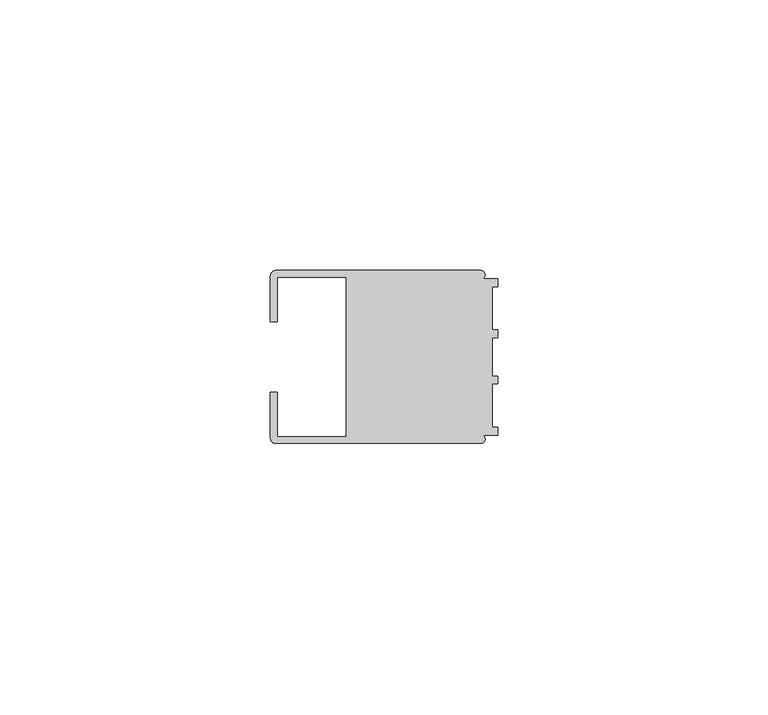
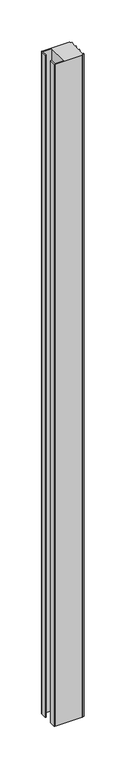
"""IFC4 building model written with IfcOpenShell, lengths in millimetres: member geometry."""

from ifc_helpers import new_model, si_unit, point, frame, frame_2d, origin, place, context, project, spatial, polyline, circle_curve, trimmed, segment, composite_curve, outline, extrude, source, transform, mapped, element, save


def member_8433ccb1(model_context):
    return source(origin(), model_context, "Body", "SweptSolid", [
        extrude(outline(composite_curve([segment(polyline([(-42.0, -6.4992596), (-40.7495396, -6.4992596), (-40.7495396, -14.748825), (-28.0, -14.748825), (-28.0, 14.7490791), (-40.7495396, 14.7490791), (-40.7495396, 6.4995138), (-42.0, 6.4995138), (-42.0, 14.9988146)]), True, "CONTINUOUS"), segment(trimmed(circle_curve(frame_2d((-40.9988146, 14.9988146)), 1.0011854), [point((-42.0, 14.9988146))], [point((-40.9988146, 16.0))], False, "CARTESIAN"), True, "CONTINUOUS"), segment(polyline([(-40.9988146, 16.0), (-3.1117213, 16.0)]), True, "CONTINUOUS"), segment(trimmed(circle_curve(frame_2d((-3.1117213, 15.2000428)), 0.7999572), [point((-3.1117213, 16.0))], [point((-2.7237818, 14.5004469))], False, "CARTESIAN"), True, "CONTINUOUS"), segment(polyline([(-2.7237818, 14.5004469), (0.0, 14.5004469), (0.0, 13.0002136), (-0.999267, 13.0002136), (-0.999267, 5.0005709), (0.0, 5.0005709), (0.0, 3.5391588), (-0.999267, 3.5001879), (-0.999267, -3.5001879), (0.0, -3.5378881), (0.0, -4.9993001), (-0.999267, -4.9993001), (-0.999267, -12.9993664), (0.0, -12.9993664), (0.0, -14.4989182), (-2.7260256, -14.4989182)]), True, "CONTINUOUS"), segment(trimmed(circle_curve(frame_2d((-3.1117577, -15.2001372)), 0.8003107), [point((-2.7260256, -14.4989182))], [point((-3.1385263, -16.0))], False, "CARTESIAN"), True, "CONTINUOUS"), segment(polyline([(-3.1385263, -16.0), (-40.998921, -16.0)]), True, "CONTINUOUS"), segment(trimmed(circle_curve(frame_2d((-40.998921, -14.998921)), 1.001079), [point((-40.998921, -16.0))], [point((-42.0, -14.998921))], False, "CARTESIAN"), True, "CONTINUOUS"), segment(polyline([(-42.0, -14.998921), (-42.0, -6.4992596)]), True, "CONTINUOUS")], self_intersect=False)), frame((0.0, 0.0, -976.4285716), z_axis=(0.0, 0.0, 1.0), x_axis=(1.0, 0.0, 0.0)), (0.0, 0.0, 1.0), 976.4285716),
    ])


if __name__ == "__main__":
    model = new_model("IFC4")
    model_context = context("Model", 3, world=origin())
    ifc_project = project(units=[si_unit("LENGTHUNIT", "METRE", prefix="MILLI")], contexts=[model_context])
    site = spatial("IfcSite", under=ifc_project)
    building = spatial("IfcBuilding", under=site)
    placement = place(None, origin())
    member_shape = member_8433ccb1(model_context)
    element("IfcMember", 1, at=placement, inside=building, context=model_context, shape_type="MappedRepresentation", body=[
        mapped(member_shape, transform((0.0, 0.0, 0.0), x_axis=(1.0, 0.0, 0.0), y_axis=(0.0, 1.0, 0.0), z_axis=(0.0, 0.0, 1.0))),
    ])
    save(model, "model.ifc")
